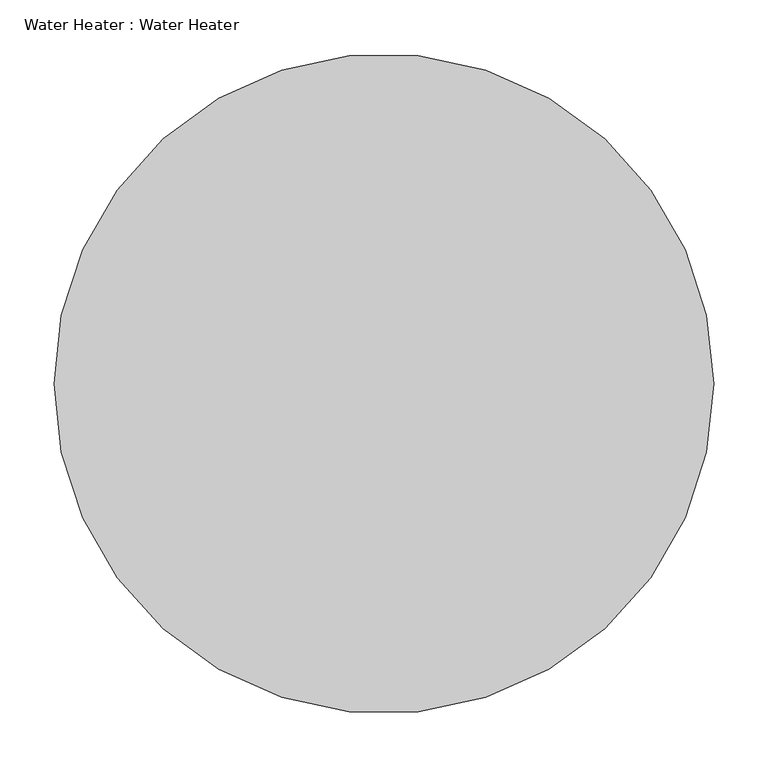
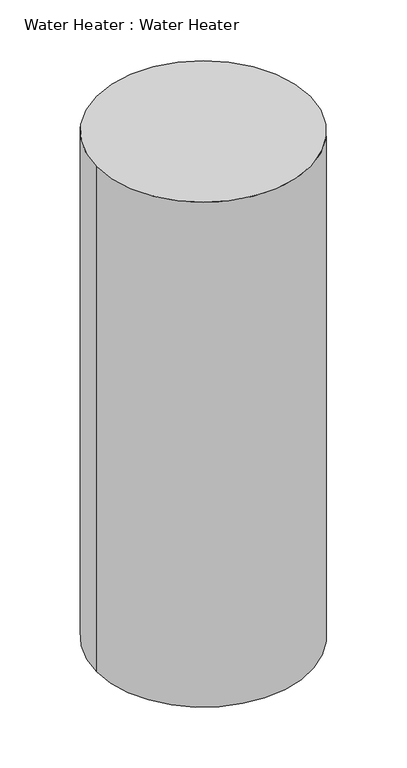
"""IFC4 building model written with IfcOpenShell, lengths in millimetres: flow terminal geometry, Water Heater : Water Heater."""

from ifc_helpers import new_model, si_unit, point, origin, origin_with_axes, origin_2d, place, context, project, spatial, circle_curve, trimmed, segment, composite_curve, outline, extrude, source, transform, mapped, element, save


def water_heater_water_heater_e0cc5f81(model_context):
    return source(origin(), model_context, "Body", "SweptSolid", [
        extrude(outline(composite_curve([segment(trimmed(circle_curve(origin_2d(), 304.8), [point((-304.8, 0.0))], [point((304.8, 0.0))], False, "CARTESIAN"), True, "CONTINUOUS"), segment(trimmed(circle_curve(origin_2d(), 304.8), [point((304.8, 0.0))], [point((-304.8, 0.0))], False, "CARTESIAN"), True, "CONTINUOUS")], self_intersect=False)), origin_with_axes(), (0.0, 0.0, 1.0), 1524.0),
    ])


if __name__ == "__main__":
    model = new_model("IFC4")
    model_context = context("Model", 3, world=origin())
    ifc_project = project(units=[si_unit("LENGTHUNIT", "METRE", prefix="MILLI")], contexts=[model_context])
    site = spatial("IfcSite", under=ifc_project)
    building = spatial("IfcBuilding", under=site)
    placement = place(None, origin())
    water_heater_water_heater_shape = water_heater_water_heater_e0cc5f81(model_context)
    element("IfcFlowTerminal", 1, ObjectType="Water Heater : Water Heater", at=placement, inside=building, context=model_context, shape_type="MappedRepresentation", body=[
        mapped(water_heater_water_heater_shape, transform((0.0, 0.0, 0.0), x_axis=(1.0, 0.0, 0.0), y_axis=(0.0, 1.0, 0.0), z_axis=(0.0, 0.0, 1.0))),
    ])
    save(model, "model.ifc")
